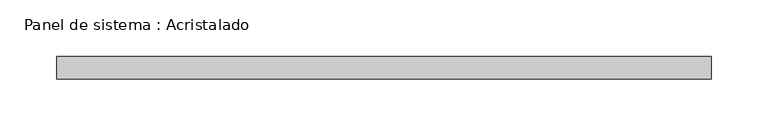
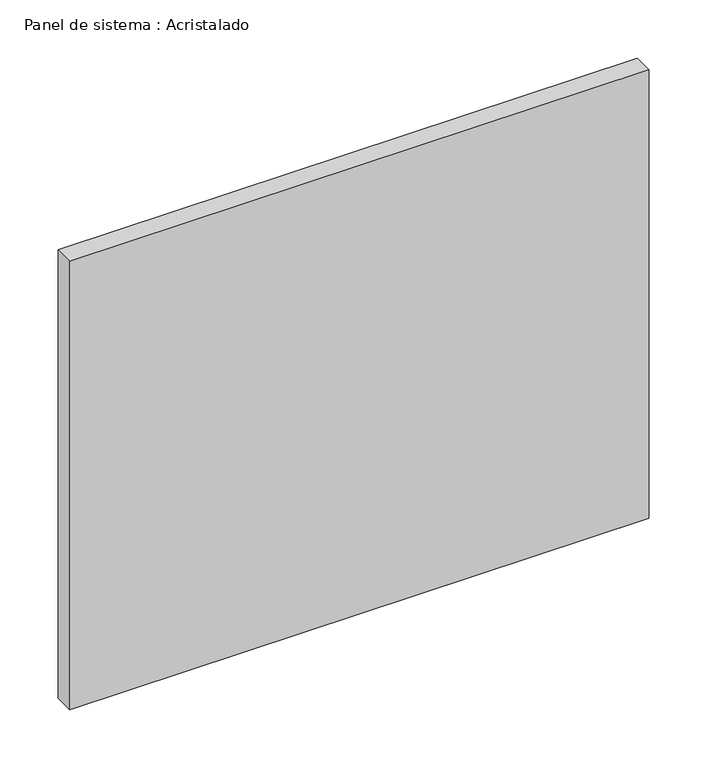
"""IFC4 building model written with IfcOpenShell, lengths in millimetres: plate geometry, Panel de sistema : Acristalado."""

from ifc_helpers import new_model, si_unit, origin, origin_with_axes, place, context, project, spatial, polyline, outline, extrude, source, transform, mapped, element, save


def panel_de_sistema_acristalado_6a905ce8(model_context):
    return source(origin(), model_context, "Body", "SweptSolid", [
        extrude(outline(polyline([(288.5, -10.0), (-288.5, -10.0), (-288.5, 10.0), (288.5, 10.0), (288.5, -10.0)])), origin_with_axes(), (0.0, 0.0, 1.0), 472.0),
    ])


if __name__ == "__main__":
    model = new_model("IFC4")
    model_context = context("Model", 3, world=origin())
    ifc_project = project(units=[si_unit("LENGTHUNIT", "METRE", prefix="MILLI")], contexts=[model_context])
    site = spatial("IfcSite", under=ifc_project)
    building = spatial("IfcBuilding", under=site)
    placement = place(None, origin())
    panel_de_sistema_acristalado_shape = panel_de_sistema_acristalado_6a905ce8(model_context)
    element("IfcPlate", 1, ObjectType="Panel de sistema : Acristalado", at=placement, inside=building, context=model_context, shape_type="MappedRepresentation", body=[
        mapped(panel_de_sistema_acristalado_shape, transform((0.0, 0.0, 0.0), x_axis=(1.0, 0.0, 0.0), y_axis=(0.0, 1.0, 0.0), z_axis=(0.0, 0.0, 1.0))),
    ])
    save(model, "model.ifc")
